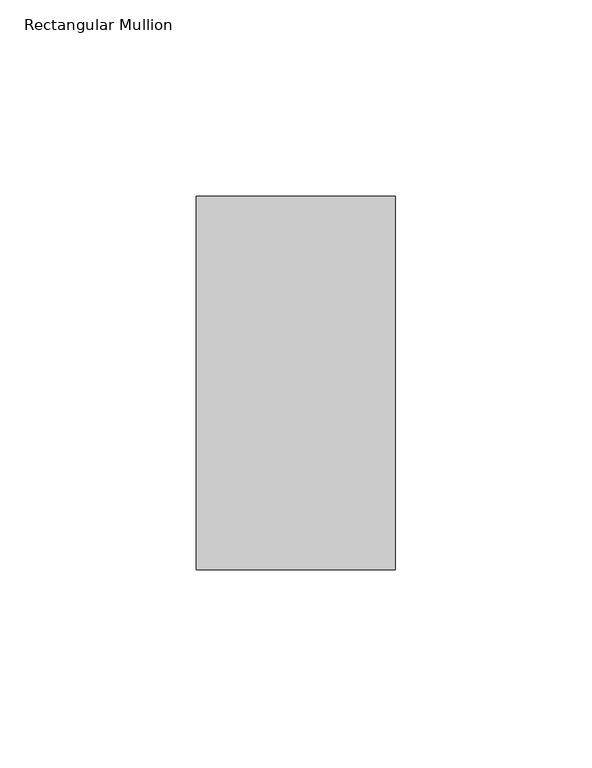
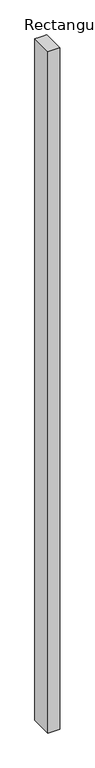
"""IFC4 building model written with IfcOpenShell, lengths in millimetres: member geometry, Rectangular Mullion."""

from ifc_helpers import new_model, si_unit, frame, origin, place, context, project, spatial, polyline, outline, extrude, source, transform, mapped, element, save


def rectangular_mullion_5344f8bf(model_context):
    return source(origin(), model_context, "Body", "SweptSolid", [
        extrude(outline(polyline([(-23.7281576, -32.8620857), (0.0, -32.8620857), (0.0, -128.1120857), (-50.8, -128.1120857), (-50.8, -32.8620857), (-23.7281576, -32.8620857)])), frame((0.0, 0.0, -3048.0), z_axis=(0.0, 0.0, 1.0), x_axis=(1.0, 0.0, 0.0)), (0.0, 0.0, 1.0), 3048.0),
    ])


if __name__ == "__main__":
    model = new_model("IFC4")
    model_context = context("Model", 3, world=origin())
    ifc_project = project(units=[si_unit("LENGTHUNIT", "METRE", prefix="MILLI")], contexts=[model_context])
    site = spatial("IfcSite", under=ifc_project)
    building = spatial("IfcBuilding", under=site)
    placement = place(None, origin())
    rectangular_mullion_shape = rectangular_mullion_5344f8bf(model_context)
    element("IfcMember", 1, ObjectType="Rectangular Mullion", at=placement, inside=building, context=model_context, shape_type="MappedRepresentation", body=[
        mapped(rectangular_mullion_shape, transform((0.0, 0.0, 0.0), x_axis=(1.0, 0.0, 0.0), y_axis=(0.0, 1.0, 0.0), z_axis=(0.0, 0.0, 1.0))),
    ])
    save(model, "model.ifc")
